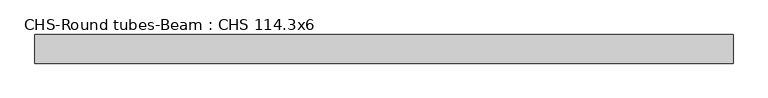
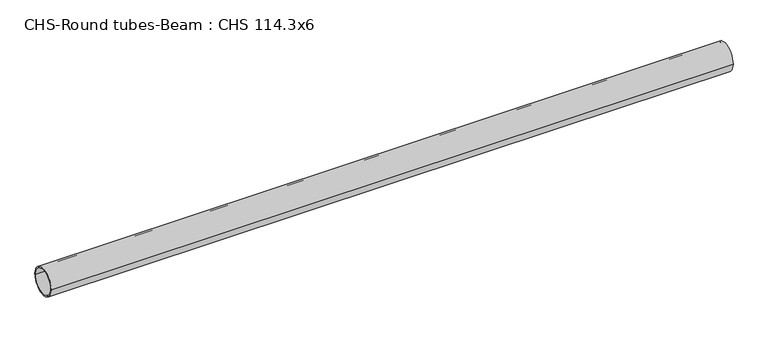
"""IFC4 building model written with IfcOpenShell, lengths in millimetres: beam geometry, CHS-Round tubes-Beam : CHS 114.3x6."""

from ifc_helpers import new_model, si_unit, point, frame, origin, origin_2d, place, context, project, spatial, circle_curve, trimmed, segment, composite_curve, outline, extrude, source, transform, mapped, element, save


def chs_round_tubes_beam_chs_114_3x6_f67f4eff(model_context):
    return source(origin(), model_context, "Body", "SweptSolid", [
        extrude(outline(composite_curve([segment(trimmed(circle_curve(origin_2d(), 57.15), [point((57.15, 0.0))], [point((-57.15, 0.0))], False, "CARTESIAN"), True, "CONTINUOUS"), segment(trimmed(circle_curve(origin_2d(), 57.15), [point((-57.15, 0.0))], [point((57.15, 0.0))], False, "CARTESIAN"), True, "CONTINUOUS")], self_intersect=False), holes=[composite_curve([segment(trimmed(circle_curve(origin_2d(), 51.15), [point((51.15, 0.0))], [point((-51.15, 0.0))], True, "CARTESIAN"), True, "CONTINUOUS"), segment(trimmed(circle_curve(origin_2d(), 51.15), [point((-51.15, 0.0))], [point((51.15, 0.0))], True, "CARTESIAN"), True, "CONTINUOUS")], self_intersect=False)]), frame((-1384.0717554, 0.0, 0.0), z_axis=(1.0, 0.0, 0.0), x_axis=(0.0, 1.0, 0.0)), (0.0, 0.0, 1.0), 2787.4473554),
    ])


if __name__ == "__main__":
    model = new_model("IFC4")
    model_context = context("Model", 3, world=origin())
    ifc_project = project(units=[si_unit("LENGTHUNIT", "METRE", prefix="MILLI")], contexts=[model_context])
    site = spatial("IfcSite", under=ifc_project)
    building = spatial("IfcBuilding", under=site)
    placement = place(None, origin())
    chs_round_tubes_beam_chs_114_3x6_shape = chs_round_tubes_beam_chs_114_3x6_f67f4eff(model_context)
    element("IfcBeam", 1, ObjectType="CHS-Round tubes-Beam : CHS 114.3x6", at=placement, inside=building, context=model_context, shape_type="MappedRepresentation", body=[
        mapped(chs_round_tubes_beam_chs_114_3x6_shape, transform((0.0, 0.0, 0.0), x_axis=(1.0, 0.0, 0.0), y_axis=(0.0, 1.0, 0.0), z_axis=(0.0, 0.0, 1.0))),
    ])
    save(model, "model.ifc")
